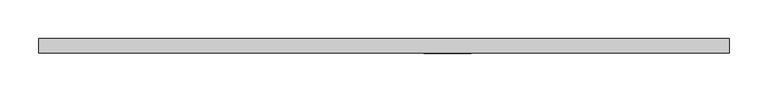
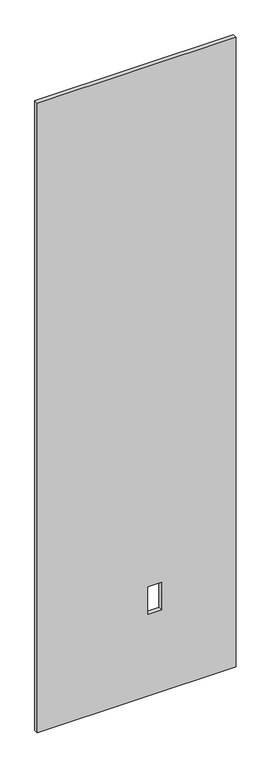
"""IFC4 building model written with IfcOpenShell, lengths in millimetres: proxy geometry."""

from ifc_helpers import new_model, si_unit, frame, origin, place, context, project, spatial, polyline, outline, extrude, source, transform, mapped, element, save


def specialty_equipment_e0b75b53(model_context):
    return source(origin(), model_context, "Body", "SweptSolid", [
        extrude(outline(polyline([(2999.5368001, -447.7193698), (3.175, -447.7193698), (3.175, 447.7193698), (2999.5368001, 447.7193698), (2999.5368001, -447.7193698)]), holes=[polyline([(391.922, 112.8268), (391.922, 51.3588), (522.478, 51.3588), (522.478, 112.8268), (391.922, 112.8268)])]), frame((0.0, -9.525, 0.0), z_axis=(0.0, 1.0, 0.0), x_axis=(0.0, 0.0, 1.0)), (0.0, 0.0, 1.0), 19.05),
    ])


if __name__ == "__main__":
    model = new_model("IFC4")
    model_context = context("Model", 3, world=origin())
    ifc_project = project(units=[si_unit("LENGTHUNIT", "METRE", prefix="MILLI")], contexts=[model_context])
    site = spatial("IfcSite", under=ifc_project)
    building = spatial("IfcBuilding", under=site)
    placement = place(None, origin())
    specialty_equipment_shape = specialty_equipment_e0b75b53(model_context)
    element("IfcBuildingElementProxy", 1, Name="Specialty Equipment", at=placement, inside=building, context=model_context, shape_type="MappedRepresentation", body=[
        mapped(specialty_equipment_shape, transform((0.0, 0.0, 0.0), x_axis=(1.0, 0.0, 0.0), y_axis=(0.0, 1.0, 0.0), z_axis=(0.0, 0.0, 1.0))),
    ])
    save(model, "model.ifc")
